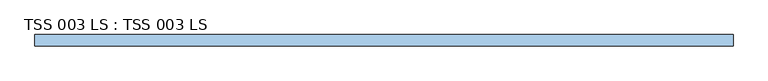
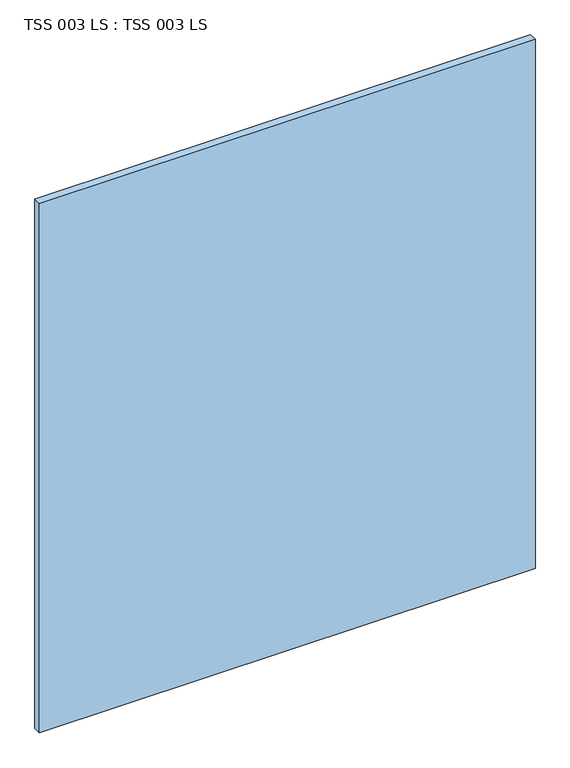
"""IFC4 building model written with IfcOpenShell, lengths in millimetres: window geometry, TSS 003 LS : TSS 003 LS."""

from ifc_helpers import new_model, si_unit, origin, origin_with_axes, place, context, project, spatial, polyline, outline, extrude, source, transform, mapped, element, save


def tss_003_ls_tss_003_ls_db0c3bdf(model_context):
    return source(origin(), model_context, "Body", "SweptSolid", [
        extrude(outline(polyline([(990.6, -15.875), (-990.6, -15.875), (-990.6, 15.875), (990.6, 15.875), (990.6, -15.875)])), origin_with_axes(), (0.0, 0.0, 1.0), 2235.2),
    ])


if __name__ == "__main__":
    model = new_model("IFC4")
    model_context = context("Model", 3, world=origin())
    ifc_project = project(units=[si_unit("LENGTHUNIT", "METRE", prefix="MILLI")], contexts=[model_context])
    site = spatial("IfcSite", under=ifc_project)
    building = spatial("IfcBuilding", under=site)
    placement = place(None, origin())
    tss_003_ls_tss_003_ls_shape = tss_003_ls_tss_003_ls_db0c3bdf(model_context)
    element("IfcWindow", 1, ObjectType="TSS 003 LS : TSS 003 LS", at=placement, inside=building, context=model_context, shape_type="MappedRepresentation", body=[
        mapped(tss_003_ls_tss_003_ls_shape, transform((0.0, 0.0, 0.0), x_axis=(1.0, 0.0, 0.0), y_axis=(0.0, 1.0, 0.0), z_axis=(0.0, 0.0, 1.0))),
    ])
    save(model, "model.ifc")
